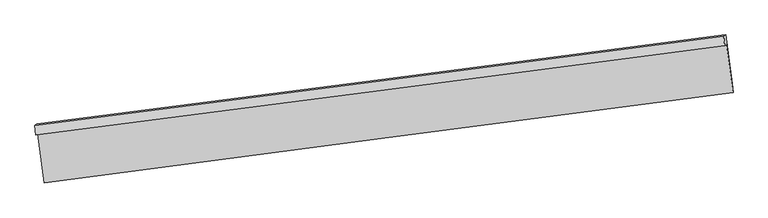
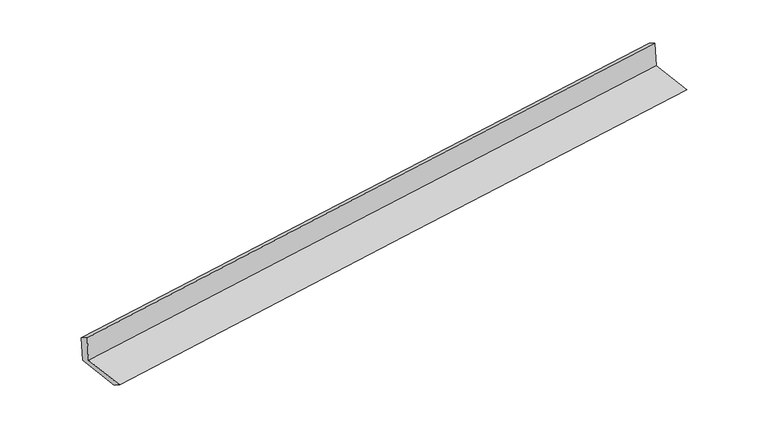
"""IFC4 building model written with IfcOpenShell, lengths in millimetres: proxy geometry."""

from ifc_helpers import new_model, si_unit, frame, origin, place, context, project, spatial, source, transform, mapped, element, save
from ifc_brep_helpers import plane_surface, spline_curve, spline_surface, advanced_brep


def generic_models_ca95c8bf(model_context):
    return source(origin(), model_context, "Body", "AdvancedBrep", [
        advanced_brep(
        [(-4775.2227006, -2118.8239918, 1893.464867), (-4747.4601325, -2102.3591217, 1507.6457627), (4701.3444215, -876.1482884, 2254.9389452), (4673.5818534, -892.6131585, 2640.7580495), (-4786.7173357, -1983.6237671, 1813.8401267), (4662.0872183, -757.4129338, 2561.1333093), (-4758.8797602, -1967.1144131, 1426.978637), (4689.9247938, -740.9035798, 2174.2718196), (-4668.0629414, -2648.6779691, 1404.4277908), (4778.7614716, -1407.6065409, 2152.2126648), (-4657.4818584, -2777.629554, 1485.3031366), (4789.3425546, -1536.5581258, 2233.0880106)],
        [
            (0, 1),
            (1, 2, spline_curve(3, [(-4747.4601325, -2102.3591217, 1507.6457627), (-3171.67138046, -1900.722952059, 1637.16818443), (-1595.874921647, -1697.654611527, 1764.241946388), (1553.726616137, -1288.914022003, 2013.333440855), (3127.53167471, -1083.245417714, 2135.357406617), (4701.3444215, -876.1482884, 2254.9389452)], [4, 2, 4], [0.0, 15.688001094225616, 31.356023432404832])),
            (2, 3),
            (3, 0, spline_curve(3, [(4673.5818534, -892.6131585, 2640.7580495), (3099.76910661, -1099.710287814, 2521.176510917), (1525.964048037, -1305.378892103, 2399.152545155), (-1623.637489747, -1714.119481627, 2150.061050688), (-3199.43394856, -1917.187822159, 2022.98728873), (-4775.2227006, -2118.8239918, 1893.464867)], [4, 2, 4], [0.0, 15.668022338179217, 31.356023432404832])),
            (4, 0),
            (3, 5),
            (5, 4, spline_curve(3, [(4662.0872183, -757.4129338, 2561.1333093), (3088.27447151, -964.510063114, 2441.551770717), (1514.469412837, -1170.178667303, 2319.527804955), (-1635.132124947, -1578.919256827, 2070.436310488), (-3210.92858366, -1781.987597459, 1943.36254843), (-4786.7173357, -1983.6237671, 1813.8401267)], [4, 2, 4], [0.0, 15.668022338179217, 31.356023432404832])),
            (6, 4),
            (5, 7),
            (7, 6, spline_curve(3, [(4689.9247938, -740.9035798, 2174.2718196), (3116.11204701, -948.000709114, 2054.690281017), (1542.306988437, -1153.669313303, 1932.666315255), (-1607.294549347, -1562.409902827, 1683.574820788), (-3183.09100816, -1765.478243459, 1556.50105873), (-4758.8797602, -1967.1144131, 1426.978637)], [4, 2, 4], [0.0, 15.66802233817922, 31.35602343240484])),
            (8, 6),
            (7, 9),
            (9, 8, spline_curve(3, [(4778.7614716, -1407.6065409, 2152.2126648), (3204.619331931, -1612.231634925, 2032.712917796), (1630.814272985, -1817.900238633, 1910.688952755), (-1518.128058476, -2231.588051863, 1661.433769393), (-3093.264470522, -2439.609923808, 1534.196110241), (-4668.0629414, -2648.6779691, 1404.4277908)], [4, 2, 4], [0.0, 15.66801038072624, 31.355999502251578])),
            (10, 8),
            (9, 11),
            (11, 10, spline_curve(3, [(4789.3425546, -1536.5581258, 2233.0880106), (3215.200414582, -1741.183219377, 2113.588264084), (1641.395356045, -1946.851823821, 1991.564298369), (-1507.546975336, -2360.539636475, 1742.309115378), (-3082.683387428, -2568.561508834, 1615.071456162), (-4657.4818584, -2777.629554, 1485.3031366)], [4, 2, 4], [0.0, 15.668019424080732, 31.35601760049201])),
            (1, 10),
            (11, 2),
        ],
        [
            spline_surface(3, 3, [[(-4775.2227006, -2118.8239918, 1893.464867), (-3199.433948815, -1917.187822167, 2022.987288484), (-1623.637489664, -1714.1194818, 2150.06105056), (1525.964047954, -1305.378891931, 2399.152545283), (3099.769106804, -1099.710287871, 2521.176510679), (4673.5818534, -892.6131585, 2640.7580495)], [(-4765.96851122, -2113.335701764, 1764.8584989), (-3190.179759435, -1911.699532131, 1894.380920385), (-1614.383300284, -1708.631191764, 2021.454682461), (1535.218237334, -1299.890601895, 2270.546177183), (3109.023296183, -1094.221997835, 2392.57014258), (4682.83604278, -887.124868464, 2512.1516814)], [(-4756.71432188, -2107.847411736, 1636.2521308), (-3180.925570094, -1906.211242102, 1765.774552284), (-1605.129110943, -1703.142901735, 1892.84831436), (1544.472426674, -1294.402311867, 2141.939809082), (3118.277485524, -1088.733707807, 2263.963774479), (4692.09023212, -881.636578436, 2383.5453133)], [(-4747.4601325, -2102.3591217, 1507.6457627), (-3171.671380715, -1900.722952067, 1637.168184184), (-1595.874921564, -1697.6546117, 1764.24194626), (1553.726616054, -1288.914021831, 2013.333440983), (3127.531674904, -1083.245417771, 2135.357406379), (4701.3444215, -876.1482884, 2254.9389452)]], [4, 4], [4, 2, 4], [0.0, 1.270232717148711], [0.0, 15.688001094225616, 31.356023432404832]),
            spline_surface(3, 3, [[(-4786.7173357, -1983.6237671, 1813.8401267), (-3210.928583915, -1781.987597467, 1943.362548184), (-1635.132124864, -1578.919257, 2070.43631036), (1514.469412754, -1170.178667131, 2319.527805083), (3088.274471704, -964.510063171, 2441.551770479), (4662.0872183, -757.4129338, 2561.1333093)], [(-4782.885790652, -2028.690508685, 1840.381706782), (-3207.097038867, -1827.054339052, 1969.904128266), (-1631.300579816, -1623.985998585, 2096.977890443), (1518.300957802, -1215.245408716, 2346.069385165), (3092.106016752, -1009.576804756, 2468.093350562), (4665.918763348, -802.479675385, 2587.674889382)], [(-4779.054245648, -2073.757250215, 1866.923286918), (-3203.265493863, -1872.121080581, 1996.445708402), (-1627.469034712, -1669.052740214, 2123.519470478), (1522.132502906, -1260.312150346, 2372.610965201), (3095.937561756, -1054.643546286, 2494.634930597), (4669.750308352, -847.546416915, 2614.216469418)], [(-4775.2227006, -2118.8239918, 1893.464867), (-3199.433948815, -1917.187822167, 2022.987288484), (-1623.637489664, -1714.1194818, 2150.06105056), (1525.964047954, -1305.378891931, 2399.152545283), (3099.769106804, -1099.710287871, 2521.176510679), (4673.5818534, -892.6131585, 2640.7580495)]], [4, 4], [4, 2, 4], [0.0, 0.5161599199633268], [0.0, 15.688001094225616, 31.356023432404832]),
            spline_surface(3, 3, [[(-4758.8797602, -1967.1144131, 1426.978637), (-3183.091008415, -1765.478243467, 1556.501058484), (-1607.294549264, -1562.409903, 1683.57482066), (1542.306988354, -1153.669313131, 1932.666315383), (3116.112047204, -948.000709171, 2054.690280779), (4689.9247938, -740.9035798, 2174.2718196)], [(-4768.158952053, -1972.617531104, 1555.932466895), (-3192.370200267, -1770.98136147, 1685.45488838), (-1616.573741117, -1567.913021003, 1812.528650556), (1533.027796501, -1159.172431135, 2061.620145278), (3106.832855351, -953.503827175, 2183.644110675), (4680.645601947, -746.406697804, 2303.225649495)], [(-4777.438143847, -1978.120649096, 1684.886296805), (-3201.649392062, -1776.484479463, 1814.408718289), (-1625.852933011, -1573.416138996, 1941.482480465), (1523.748604607, -1164.675549127, 2190.573975187), (3097.553663556, -959.006945167, 2312.597940584), (4671.366410153, -751.909815796, 2432.179479405)], [(-4786.7173357, -1983.6237671, 1813.8401267), (-3210.928583915, -1781.987597467, 1943.362548184), (-1635.132124864, -1578.919257, 2070.43631036), (1514.469412754, -1170.178667131, 2319.527805083), (3088.274471704, -964.510063171, 2441.551770479), (4662.0872183, -757.4129338, 2561.1333093)]], [4, 4], [4, 2, 4], [0.0, 1.273664563857594], [0.0, 15.68800109422562, 31.35602343240484]),
            spline_surface(3, 3, [[(-4668.0629414, -2648.6779691, 1404.4277908), (-3093.264470402, -2439.60992392, 1534.196110236), (-1518.128058338, -2231.588051825, 1661.433769495), (1630.814272847, -1817.90023867, 1910.688952653), (3204.619331797, -1612.23163471, 2032.712918049), (4778.7614716, -1407.6065409, 2152.2126648)], [(-4698.33521432, -2421.4901171, 1411.944739549), (-3123.206649726, -2214.899363768, 1541.631093002), (-1547.850221994, -2008.528668886, 1668.814119874), (1601.311844669, -1596.48993016, 1918.01474022), (3175.116903619, -1390.8213262, 2040.038705616), (4749.149245686, -1185.372220536, 2159.565716391)], [(-4728.60748728, -2194.3022651, 1419.461688251), (-3153.14882909, -1990.188803618, 1549.066075719), (-1577.572385608, -1785.469285939, 1676.194470281), (1571.809416532, -1375.079621642, 1925.340527815), (3145.614475382, -1169.411017682, 2047.364493212), (4719.537019714, -963.137900164, 2166.918768009)], [(-4758.8797602, -1967.1144131, 1426.978637), (-3183.091008415, -1765.478243467, 1556.501058484), (-1607.294549264, -1562.409903, 1683.57482066), (1542.306988354, -1153.669313131, 1932.666315383), (3116.112047204, -948.000709171, 2054.690280779), (4689.9247938, -740.9035798, 2174.2718196)]], [4, 4], [4, 2, 4], [0.0, 2.207880514392671], [0.0, 15.687989121525337, 31.355999502251578]),
            spline_surface(3, 3, [[(-4657.4818584, -2777.629554, 1485.3031366), (-3082.683387402, -2568.56150882, 1615.071456036), (-1507.546975238, -2360.539636725, 1742.309115295), (1641.395355947, -1946.85182357, 1991.564298453), (3215.200414797, -1741.18321961, 2113.588263849), (4789.3425546, -1536.5581258, 2233.0880106)], [(-4661.008886088, -2734.645692367, 1458.344688005), (-3086.21041509, -2525.577647187, 1588.113007441), (-1511.074002926, -2317.555775093, 1715.3506667), (1637.868328259, -1903.867961938, 1964.605849857), (3211.673387108, -1698.199357978, 2086.629815254), (4785.815526912, -1493.574264167, 2206.129562005)], [(-4664.535913712, -2691.661830733, 1431.386239395), (-3089.737442713, -2482.593785553, 1561.154558832), (-1514.60103065, -2274.571913458, 1688.39221809), (1634.341300535, -1860.884100303, 1937.647401248), (3208.146359485, -1655.215496343, 2059.671366644), (4782.288499288, -1450.590402533, 2179.171113395)], [(-4668.0629414, -2648.6779691, 1404.4277908), (-3093.264470402, -2439.60992392, 1534.196110236), (-1518.128058338, -2231.588051825, 1661.433769495), (1630.814272847, -1817.90023867, 1910.688952653), (3204.619331797, -1612.23163471, 2032.712918049), (4778.7614716, -1407.6065409, 2152.2126648)]], [4, 4], [4, 2, 4], [0.0, 0.5005973859218782], [0.0, 15.687998176411277, 31.35601760049201]),
            spline_surface(3, 3, [[(-4747.4601325, -2102.3591217, 1507.6457627), (-3171.671380715, -1900.722952067, 1637.168184184), (-1595.874921564, -1697.6546117, 1764.24194626), (1553.726616054, -1288.914021831, 2013.333440983), (3127.531674904, -1083.245417771, 2135.357406379), (4701.3444215, -876.1482884, 2254.9389452)], [(-4717.467374466, -2327.44926578, 1500.198220668), (-3142.008716277, -2123.335804298, 1629.802608136), (-1566.432272795, -1918.616286719, 1756.931002598), (1582.949529345, -1508.226622421, 2006.077060132), (3156.754588195, -1302.558018361, 2128.101025529), (4730.677132527, -1096.284900844, 2247.655300326)], [(-4687.474616434, -2552.53940992, 1492.750678632), (-3112.34605184, -2345.948656589, 1622.437032085), (-1536.989624007, -2139.577961706, 1749.620058957), (1612.172442656, -1727.53922298, 1998.820679303), (3185.977501505, -1521.87061902, 2120.844644699), (4760.009843573, -1316.421513356, 2240.371655474)], [(-4657.4818584, -2777.629554, 1485.3031366), (-3082.683387402, -2568.56150882, 1615.071456036), (-1507.546975238, -2360.539636725, 1742.309115295), (1641.395355947, -1946.85182357, 1991.564298453), (3215.200414797, -1741.18321961, 2113.588263849), (4789.3425546, -1536.5581258, 2233.0880106)]], [4, 4], [4, 2, 4], [0.0, 2.1870400988888576], [0.0, 15.687989121525337, 31.355999502251578]),
            plane_surface(frame((4715.8403855, -1035.2071045, 2336.0671332), z_axis=(0.9886514189657912, 0.1291993287569903, 0.07665445339751101), x_axis=(-0.1320094012849992, 0.9907063272367745, 0.032779431743050085))),
            plane_surface(frame((-4732.3041215, -2266.3714695, 1588.6100535), z_axis=(-0.9886514189657908, -0.12919932875699272, -0.07665445339751134), x_axis=(-0.07170697141355321, -0.042526540204493, 0.9965187422366584))),
        ],
        [
            (0, [[1, 2, 3, 4]]),
            (1, [[5, -4, 6, 7]]),
            (2, [[8, -7, 9, 10]]),
            (3, [[11, -10, 12, 13]]),
            (4, [[14, -13, 15, 16]]),
            (5, [[17, -16, 18, -2]]),
            (6, [[-12, -9, -6, -3, -18, -15]]),
            (7, [[-1, -5, -8, -11, -14, -17]]),
        ],
    ),
    ])


if __name__ == "__main__":
    model = new_model("IFC4")
    model_context = context("Model", 3, world=origin())
    ifc_project = project(units=[si_unit("LENGTHUNIT", "METRE", prefix="MILLI")], contexts=[model_context])
    site = spatial("IfcSite", under=ifc_project)
    building = spatial("IfcBuilding", under=site)
    placement = place(None, origin())
    generic_models_shape = generic_models_ca95c8bf(model_context)
    element("IfcBuildingElementProxy", 1, Name="Generic Models", at=placement, inside=building, context=model_context, shape_type="MappedRepresentation", body=[
        mapped(generic_models_shape, transform((0.0, 0.0, 0.0), x_axis=(1.0, 0.0, 0.0), y_axis=(0.0, 1.0, 0.0), z_axis=(0.0, 0.0, 1.0))),
    ])
    save(model, "model.ifc")
